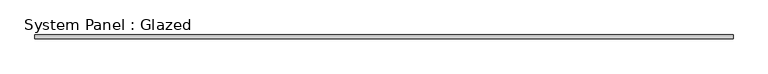
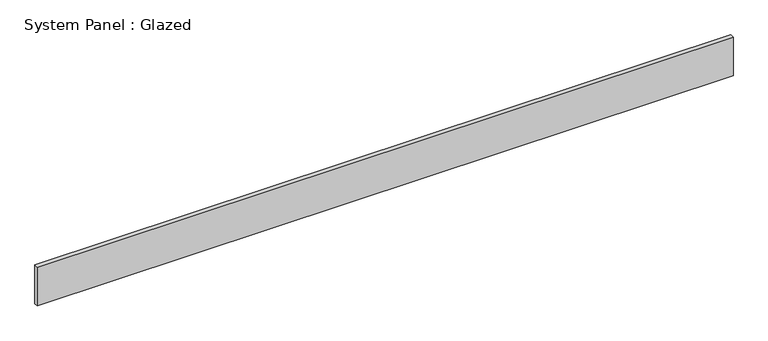
"""IFC4 building model written with IfcOpenShell, lengths in millimetres: plate geometry, System Panel : Glazed."""

from ifc_helpers import new_model, si_unit, origin, origin_with_axes, place, context, project, spatial, polyline, outline, extrude, source, transform, mapped, element, save


def system_panel_glazed_73e38bf9(model_context):
    return source(origin(), model_context, "Body", "SweptSolid", [
        extrude(outline(polyline([(2317.75, 19.05), (-2317.75, 19.05), (-2317.75, 44.45), (2317.75, 44.45), (2317.75, 19.05)])), origin_with_axes(), (0.0, 0.0, 1.0), 273.05),
    ])


if __name__ == "__main__":
    model = new_model("IFC4")
    model_context = context("Model", 3, world=origin())
    ifc_project = project(units=[si_unit("LENGTHUNIT", "METRE", prefix="MILLI")], contexts=[model_context])
    site = spatial("IfcSite", under=ifc_project)
    building = spatial("IfcBuilding", under=site)
    placement = place(None, origin())
    system_panel_glazed_shape = system_panel_glazed_73e38bf9(model_context)
    element("IfcPlate", 1, ObjectType="System Panel : Glazed", at=placement, inside=building, context=model_context, shape_type="MappedRepresentation", body=[
        mapped(system_panel_glazed_shape, transform((0.0, 0.0, 0.0), x_axis=(1.0, 0.0, 0.0), y_axis=(0.0, 1.0, 0.0), z_axis=(0.0, 0.0, 1.0))),
    ])
    save(model, "model.ifc")
